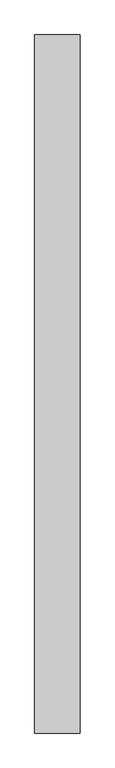
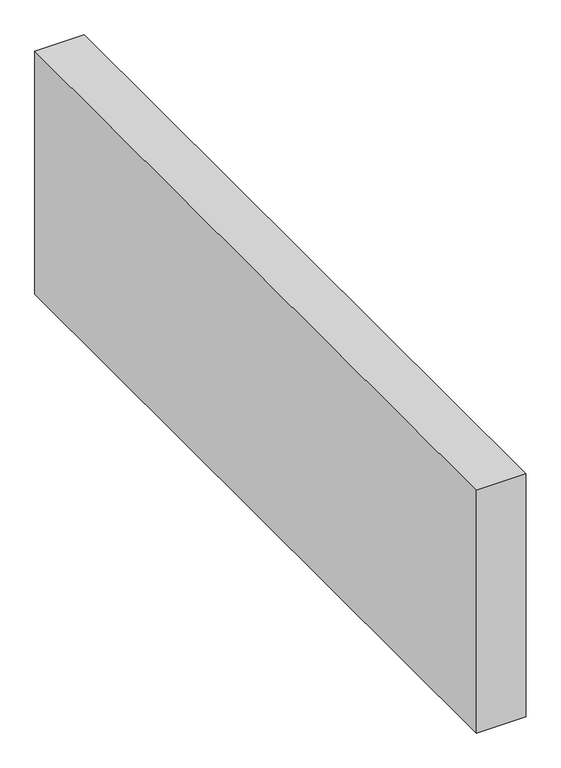
"""IFC4 building model written with IfcOpenShell, lengths in millimetres: proxy geometry."""

from ifc_helpers import new_model, si_unit, origin, origin_with_axes, place, context, project, spatial, polyline, outline, extrude, source, transform, mapped, element, save


def generic_models_23385bf0(model_context):
    return source(origin(), model_context, "Body", "SweptSolid", [
        extrude(outline(polyline([(150.0, 2316.8457598), (150.0, 0.0), (0.0, 0.0), (0.0, 2316.8457598), (150.0, 2316.8457598)])), origin_with_axes(), (0.0, 0.0, 1.0), 776.6553396),
    ])


if __name__ == "__main__":
    model = new_model("IFC4")
    model_context = context("Model", 3, world=origin())
    ifc_project = project(units=[si_unit("LENGTHUNIT", "METRE", prefix="MILLI")], contexts=[model_context])
    site = spatial("IfcSite", under=ifc_project)
    building = spatial("IfcBuilding", under=site)
    placement = place(None, origin())
    generic_models_shape = generic_models_23385bf0(model_context)
    element("IfcBuildingElementProxy", 1, Name="Generic Models", at=placement, inside=building, context=model_context, shape_type="MappedRepresentation", body=[
        mapped(generic_models_shape, transform((0.0, 0.0, 0.0), x_axis=(1.0, 0.0, 0.0), y_axis=(0.0, 1.0, 0.0), z_axis=(0.0, 0.0, 1.0))),
    ])
    save(model, "model.ifc")
